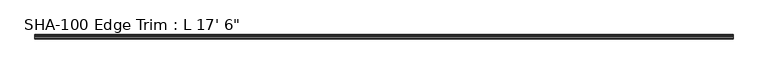
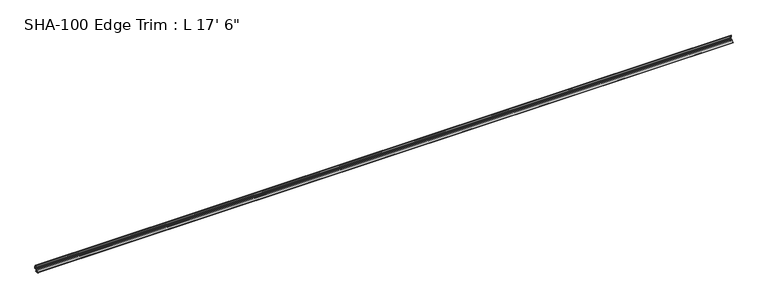
"""IFC4 building model written with IfcOpenShell, lengths in millimetres: proxy geometry."""

import ifcopenshell
import ifcopenshell.guid

model = None  # the IFC model being written
_history = None  # IfcOwnerHistory: only IFC2X3 demands one
_inside = {}  # id of a spatial element -> (the spatial element, [elements in it])
_under = {}  # id of a project, library or spatial element -> (it, [spatial elements below it])
_declared = {}  # id of a project -> (the project, [libraries it declares])
_typed = {}  # id of a type object -> (the type object, [elements of that type])
_made_of = {}  # id of a material, layer set ... -> (it, [elements and type objects made of it])


def new_model(schema):
    """Start an empty IFC model of exactly this schema.

    Asked for "IFC4X3", IfcOpenShell would pick the latest addendum, in which some entities
    have other attributes; the version numbers below select the first issue.
    IFC2X3 requires an IfcOwnerHistory on every rooted entity: one is made here for all.
    """
    global model, _history
    if schema == "IFC4X3":
        model = ifcopenshell.file(schema_version=(4, 3, 0, 0))
    else:
        model = ifcopenshell.file(schema=schema)
    _inside.clear()
    _under.clear()
    _declared.clear()
    _typed.clear()
    _made_of.clear()
    _history = None
    if model.schema == "IFC2X3":
        org = make("IfcOrganization", Name="unknown")
        user = make(
            "IfcPersonAndOrganization",
            ThePerson=make("IfcPerson", FamilyName="unknown"),
            TheOrganization=org,
        )
        app = make(
            "IfcApplication",
            ApplicationDeveloper=org,
            Version="unknown",
            ApplicationFullName="unknown",
            ApplicationIdentifier="unknown",
        )
        _history = make(
            "IfcOwnerHistory",
            OwningUser=user,
            OwningApplication=app,
            ChangeAction="ADDED",
            CreationDate=0,
        )
    return model


def make(cls, **values):
    """One entity of the class cls with the attributes given. An attribute that is None is left unset."""
    return model.create_entity(
        cls, **{name: value for name, value in values.items() if value is not None}
    )


def rooted(cls, **values):
    """An entity with a GlobalId (a new one), such as an element, a storey or a relation."""
    return make(cls, GlobalId=ifcopenshell.guid.new(), OwnerHistory=_history, **values)


def si_unit(unit_type, name, prefix=None):
    """IfcSIUnit, for example si_unit("LENGTHUNIT", "METRE", prefix="MILLI")."""
    return make("IfcSIUnit", UnitType=unit_type, Prefix=prefix, Name=name)


def assignment(units):
    """IfcUnitAssignment: the units of a project."""
    return None if units is None else make("IfcUnitAssignment", Units=units)


def point(xyz):
    """IfcCartesianPoint."""
    return None if xyz is None else make("IfcCartesianPoint", Coordinates=xyz)


def direction(xyz):
    """IfcDirection."""
    return None if xyz is None else make("IfcDirection", DirectionRatios=xyz)


def frame(location, z_axis=None, x_axis=None):
    """IfcAxis2Placement3D, a coordinate frame: its origin and axes. An axis left out is left unset."""
    return make(
        "IfcAxis2Placement3D",
        Location=point(location),
        Axis=direction(z_axis),
        RefDirection=direction(x_axis),
    )


def frame_2d(location, x_axis=None):
    """IfcAxis2Placement2D, a coordinate frame in the plane: its origin and x axis."""
    return make(
        "IfcAxis2Placement2D", Location=point(location), RefDirection=direction(x_axis)
    )


def origin():
    """The frame at (0, 0, 0) with its axes left unset."""
    return frame((0.0, 0.0, 0.0))


def place(relative_to, where):
    """IfcLocalPlacement: puts the frame where relative to a parent placement (None: the world)."""
    return make(
        "IfcLocalPlacement", PlacementRelTo=relative_to, RelativePlacement=where
    )


def context(
    kind, dimensions, precision=None, world=None, true_north=None, identifier=None
):
    """IfcGeometricRepresentationContext, for example the 3D "Model" context."""
    return make(
        "IfcGeometricRepresentationContext",
        ContextIdentifier=identifier,
        ContextType=kind,
        CoordinateSpaceDimension=dimensions,
        Precision=precision,
        WorldCoordinateSystem=world,
        TrueNorth=true_north,
    )


def project(units=None, contexts=None):
    """IfcProject with its units and contexts."""
    return rooted(
        "IfcProject",
        Name="project",
        RepresentationContexts=contexts,
        UnitsInContext=assignment(units),
    )


def spatial(cls, under=None, at=None, **own):
    """A site, building, storey or space (cls), placed at a placement, below another one or the project."""
    s = rooted(cls, ObjectPlacement=at, **own)
    if under is not None:
        _under.setdefault(under.id(), (under, []))[1].append(s)
    return s


def polyline(points):
    """IfcPolyline through the points."""
    return make("IfcPolyline", Points=[point(p) for p in points])


def circle_curve(where, radius):
    """IfcCircle in the frame where."""
    return make("IfcCircle", Position=where, Radius=radius)


def trimmed(basis, trim1, trim2, sense, master):
    """IfcTrimmedCurve: the piece of a basis curve between two trims."""
    return make(
        "IfcTrimmedCurve",
        BasisCurve=basis,
        Trim1=trim1,
        Trim2=trim2,
        SenseAgreement=sense,
        MasterRepresentation=master,
    )


def segment(curve, same_sense, transition):
    """IfcCompositeCurveSegment."""
    return make(
        "IfcCompositeCurveSegment",
        Transition=transition,
        SameSense=same_sense,
        ParentCurve=curve,
    )


def composite_curve(segments, self_intersect=None):
    """IfcCompositeCurve: segments joined end to end."""
    return make("IfcCompositeCurve", Segments=segments, SelfIntersect=self_intersect)


def outline(outer, holes=None, kind="AREA"):
    """IfcArbitraryClosedProfileDef: a profile drawn as a closed curve; with holes, ...WithVoids."""
    if holes is None:
        return make("IfcArbitraryClosedProfileDef", ProfileType=kind, OuterCurve=outer)
    return make(
        "IfcArbitraryProfileDefWithVoids",
        ProfileType=kind,
        OuterCurve=outer,
        InnerCurves=holes,
    )


def extrude(swept, where, along, depth):
    """IfcExtrudedAreaSolid: the profile swept, set in the frame where, extruded along a direction by depth."""
    return make(
        "IfcExtrudedAreaSolid",
        SweptArea=swept,
        Position=where,
        ExtrudedDirection=direction(along),
        Depth=depth,
    )


def shape(context_of_items, identifier, shape_type, items):
    """IfcShapeRepresentation: the items that make up one representation, for example the "Body"."""
    return make(
        "IfcShapeRepresentation",
        ContextOfItems=context_of_items,
        RepresentationIdentifier=identifier,
        RepresentationType=shape_type,
        Items=items,
    )


def source(mapping_origin, context_of_items, identifier, shape_type, items):
    """IfcRepresentationMap: a shape defined once, which mapped items show again and again."""
    return make(
        "IfcRepresentationMap",
        MappingOrigin=mapping_origin,
        MappedRepresentation=shape(context_of_items, identifier, shape_type, items),
    )


def transform(
    local_origin,
    x_axis=None,
    y_axis=None,
    z_axis=None,
    scale=None,
    scale2=None,
    scale3=None,
    uniform=True,
):
    """IfcCartesianTransformationOperator3D, or its non-uniform kind. x_axis, y_axis, z_axis: its Axis1, 2, 3."""
    if uniform:
        return make(
            "IfcCartesianTransformationOperator3D",
            Axis1=direction(x_axis),
            Axis2=direction(y_axis),
            LocalOrigin=point(local_origin),
            Scale=scale,
            Axis3=direction(z_axis),
        )
    return make(
        "IfcCartesianTransformationOperator3DnonUniform",
        Axis1=direction(x_axis),
        Axis2=direction(y_axis),
        LocalOrigin=point(local_origin),
        Scale=scale,
        Axis3=direction(z_axis),
        Scale2=scale2,
        Scale3=scale3,
    )


def mapped(mapping_source, mapping_target):
    """IfcMappedItem: shows the shape of a source again, moved by a transform."""
    return make(
        "IfcMappedItem", MappingSource=mapping_source, MappingTarget=mapping_target
    )


def made_of(thing, what):
    """Note that an element or type object is made of a material, layer set ...; save() writes the relation."""
    if what is not None:
        _made_of.setdefault(what.id(), (what, []))[1].append(thing)
    return thing


def element(
    cls,
    number,
    at=None,
    inside=None,
    cuts=None,
    type_object=None,
    material=None,
    context=None,
    identifier="Body",
    shape_type=None,
    held_by="IfcProductDefinitionShape",
    body=None,
    shapes=None,
    **own,
):
    """One element of the class cls, such as IfcWall. Its Tag is "e" and its number.

    at: its placement. inside: the storey or other place that contains it. cuts: it is an
    opening in that element (IfcRelVoidsElement). A single representation is given by context,
    identifier, shape_type and body (its items); several are given by shapes. held_by: the class
    of the entity that holds the representations. save() writes the other relations.
    """
    e = rooted(cls, Tag="e%d" % number, ObjectPlacement=at, **own)
    if body is not None:
        shapes = [shape(context, identifier, shape_type, body)]
    if shapes is not None:
        e.Representation = make(held_by, Representations=shapes)
    if inside is not None:
        _inside.setdefault(inside.id(), (inside, []))[1].append(e)
    if cuts is not None:
        rooted(
            "IfcRelVoidsElement", RelatingBuildingElement=cuts, RelatedOpeningElement=e
        )
    if type_object is not None:
        _typed.setdefault(type_object.id(), (type_object, []))[1].append(e)
    return made_of(e, material)


def aggregate(whole, parts):
    """IfcRelAggregates: a whole, such as a stair, and the parts it consists of."""
    return rooted("IfcRelAggregates", RelatingObject=whole, RelatedObjects=parts)


def save(model, path):
    """Write the relations noted so far, then the file.

    IfcRelAggregates (storeys below a building ...), IfcRelContainedInSpatialStructure (elements
    in a storey), IfcRelDefinesByType, IfcRelAssociatesMaterial and IfcRelDeclares: one each for
    every whole, place, type object, material and project.
    """
    for whole, parts in _under.values():
        aggregate(whole, parts)
    for where, things in _inside.values():
        rooted(
            "IfcRelContainedInSpatialStructure",
            RelatedElements=things,
            RelatingStructure=where,
        )
    for kind, things in _typed.values():
        rooted("IfcRelDefinesByType", RelatedObjects=things, RelatingType=kind)
    for what, things in _made_of.values():
        rooted("IfcRelAssociatesMaterial", RelatedObjects=things, RelatingMaterial=what)
    for by, libraries in _declared.values():
        rooted("IfcRelDeclares", RelatingContext=by, RelatedDefinitions=libraries)
    model.write(path)


def proxy_184ba9c9(model_context):
    return source(origin(), model_context, "Body", "SweptSolid", [
        extrude(outline(composite_curve([segment(polyline([(-12.7127, 15.8434061), (-2.36982, 15.8434061)]), True, "CONTINUOUS"), segment(trimmed(circle_curve(frame_2d((-2.36982, 16.6384261)), 0.79502), [point((-2.36982, 15.8434061))], [point((-1.5748, 16.6384261))], True, "CARTESIAN"), True, "CONTINUOUS"), segment(polyline([(-1.5748, 16.6384261), (-1.5748, 30.4484061)]), True, "CONTINUOUS"), segment(trimmed(circle_curve(frame_2d((-2.8448, 30.4484061)), 1.27), [point((-1.5748, 30.4484061))], [point((-2.8448, 31.7184061))], True, "CARTESIAN"), True, "CONTINUOUS"), segment(polyline([(-2.8448, 31.7184061), (-9.525, 31.7184061), (-9.525, 43.8032092)]), True, "CONTINUOUS"), segment(trimmed(circle_curve(frame_2d((-8.3323235, 42.7124516)), 1.6162393), [point((-9.525, 43.8032092))], [point((-7.2036308, 43.8692931))], False, "CARTESIAN"), True, "CONTINUOUS"), segment(polyline([(-7.2036308, 43.8692931), (-5.392657, 33.2932061), (0.0, 33.2932061), (0.0, 14.2686061), (-17.7083999, 14.2686061)]), True, "CONTINUOUS"), segment(trimmed(circle_curve(frame_2d((-17.7083999, 13.4735861)), 0.79502), [point((-17.7083999, 14.2686061))], [point((-18.4844569, 13.6461909))], True, "CARTESIAN"), True, "CONTINUOUS"), segment(trimmed(circle_curve(frame_2d((-35.9529414, 17.5314008)), 17.8953292), [point((-18.4844569, 13.6461909))], [point((-22.4398017, 5.7994844))], False, "CARTESIAN"), True, "CONTINUOUS"), segment(trimmed(circle_curve(frame_2d((-21.8394653, 5.2782809)), 0.79502), [point((-22.4398017, 5.7994844))], [point((-21.8394653, 4.4832609))], True, "CARTESIAN"), True, "CONTINUOUS"), segment(polyline([(-21.8394653, 4.4832609), (-12.0996628, 4.4832609)]), True, "CONTINUOUS"), segment(trimmed(circle_curve(frame_2d((-12.0451454, 1.8757308)), 2.6080999), [point((-12.0996628, 4.4832609))], [point((-9.4389118, 1.9743794))], False, "CARTESIAN"), True, "CONTINUOUS"), segment(trimmed(circle_curve(frame_2d((-11.1505861, 2.1815679)), 1.7241682), [point((-9.4389118, 1.9743794))], [point((-11.1730755, 0.4575464))], False, "CARTESIAN"), True, "CONTINUOUS"), segment(polyline([(-11.1730755, 0.4575464), (-12.6674098, 0.4575464), (-11.5863794, 1.5385769)]), True, "CONTINUOUS"), segment(trimmed(circle_curve(frame_2d((-12.1485434, 2.1007409)), 0.79502), [point((-11.5863794, 1.5385769))], [point((-12.1485434, 2.8957609))], True, "CARTESIAN"), True, "CONTINUOUS"), segment(polyline([(-12.1485434, 2.8957609), (-25.6553275, 2.8957609)]), True, "CONTINUOUS"), segment(trimmed(circle_curve(frame_2d((-35.9529414, 17.5314008)), 17.8953292), [point((-25.6553275, 2.8957609))], [point((-27.3627976, 1.8326034))], False, "CARTESIAN"), True, "CONTINUOUS"), segment(trimmed(circle_curve(frame_2d((-26.9811709, 1.1351668)), 0.79502), [point((-27.3627976, 1.8326034))], [point((-27.3969682, 0.4575464))], True, "CARTESIAN"), True, "CONTINUOUS"), segment(polyline([(-27.3969682, 0.4575464), (-30.5932487, 0.4575464), (-34.0943521, 0.0)]), True, "CONTINUOUS"), segment(trimmed(circle_curve(frame_2d((-34.1521396, 0.4421849)), 0.4459449), [point((-34.0943521, 0.0))], [point((-34.3270782, 0.852384))], False, "CARTESIAN"), True, "CONTINUOUS"), segment(polyline([(-34.3270782, 0.852384), (-32.6774468, 1.5559061)]), True, "CONTINUOUS"), segment(trimmed(circle_curve(frame_2d((-35.9529414, 17.5314008)), 16.3078292), [point((-32.6774468, 1.5559061))], [point((-19.7327081, 15.8434061))], True, "CARTESIAN"), True, "CONTINUOUS"), segment(polyline([(-19.7327081, 15.8434061), (-15.8623, 15.8434061)]), True, "CONTINUOUS"), segment(trimmed(circle_curve(frame_2d((-14.2875, 15.8434061)), 1.5748), [point((-15.8623, 15.8434061))], [point((-12.7127, 15.8434061))], False, "CARTESIAN"), True, "CONTINUOUS")], self_intersect=False)), frame((0.0, 0.0, 0.0), z_axis=(1.0, 0.0, 0.0), x_axis=(0.0, 1.0, 0.0)), (0.0, 0.0, 1.0), 5334.0),
    ])


if __name__ == "__main__":
    model = new_model("IFC4")
    model_context = context("Model", 3, world=origin())
    ifc_project = project(units=[si_unit("LENGTHUNIT", "METRE", prefix="MILLI")], contexts=[model_context])
    site = spatial("IfcSite", under=ifc_project)
    building = spatial("IfcBuilding", under=site)
    placement = place(None, origin())
    proxy_shape = proxy_184ba9c9(model_context)
    element("IfcBuildingElementProxy", 1, Name="SHA-100 Edge Trim : L 17' 6\"", ObjectType="SHA-100 Edge Trim : L 17' 6\"", at=placement, inside=building, context=model_context, shape_type="MappedRepresentation", body=[
        mapped(proxy_shape, transform((0.0, 0.0, 0.0), x_axis=(1.0, 0.0, 0.0), y_axis=(0.0, 1.0, 0.0), z_axis=(0.0, 0.0, 1.0))),
    ])
    save(model, "model.ifc")
